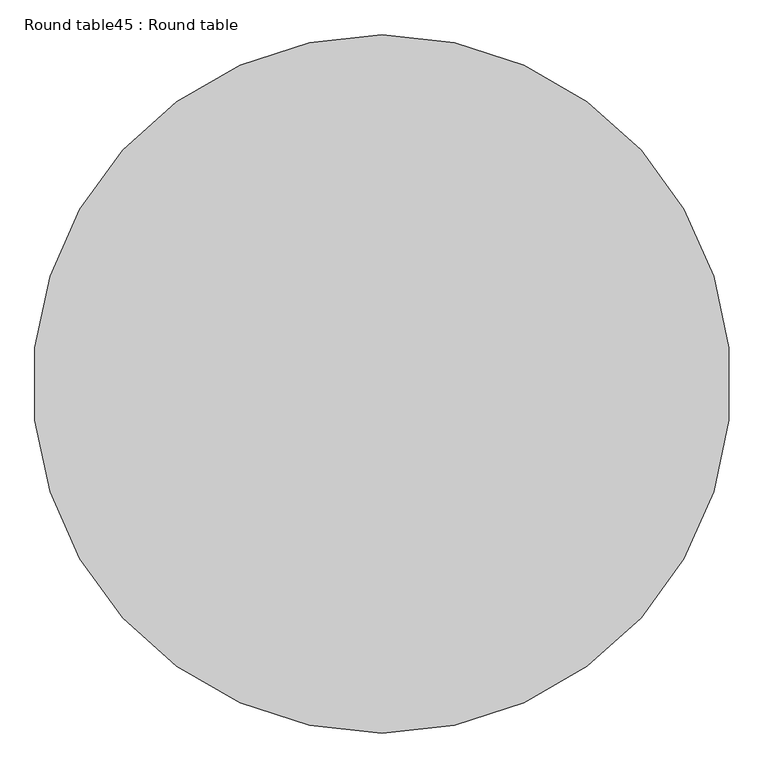
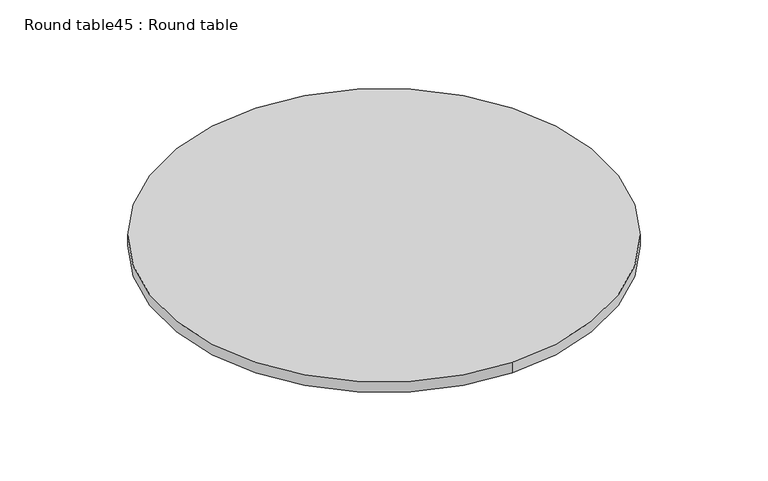
"""IFC4 building model written with IfcOpenShell, lengths in millimetres: furniture geometry, Round table45 : Round table."""

from ifc_helpers import new_model, si_unit, point, frame, frame_2d, origin, place, context, project, spatial, circle_curve, trimmed, segment, composite_curve, outline, extrude, source, transform, mapped, element, save


def round_table45_round_table_195f4e9a(model_context):
    return source(origin(), model_context, "Body", "SweptSolid", [
        extrude(outline(composite_curve([segment(trimmed(circle_curve(frame_2d((-233457.8554787, -38714.7021389)), 508.0), [point((-233457.8554787, -38206.7021389))], [point((-233457.8554787, -39222.7021389))], False, "CARTESIAN"), True, "CONTINUOUS"), segment(trimmed(circle_curve(frame_2d((-233457.8554787, -38714.7021389)), 508.0), [point((-233457.8554787, -39222.7021389))], [point((-233457.8554787, -38206.7021389))], False, "CARTESIAN"), True, "CONTINUOUS")], self_intersect=False)), frame((0.0, 0.0, 762.0), z_axis=(0.0, 0.0, 1.0), x_axis=(1.0, 0.0, 0.0)), (0.0, 0.0, 1.0), 25.4),
    ])


if __name__ == "__main__":
    model = new_model("IFC4")
    model_context = context("Model", 3, world=origin())
    ifc_project = project(units=[si_unit("LENGTHUNIT", "METRE", prefix="MILLI")], contexts=[model_context])
    site = spatial("IfcSite", under=ifc_project)
    building = spatial("IfcBuilding", under=site)
    placement = place(None, origin())
    round_table45_round_table_shape = round_table45_round_table_195f4e9a(model_context)
    element("IfcFurniture", 1, ObjectType="Round table45 : Round table", at=placement, inside=building, context=model_context, shape_type="MappedRepresentation", body=[
        mapped(round_table45_round_table_shape, transform((0.0, 0.0, 0.0), x_axis=(1.0, 0.0, 0.0), y_axis=(0.0, 1.0, 0.0), z_axis=(0.0, 0.0, 1.0))),
    ])
    save(model, "model.ifc")
